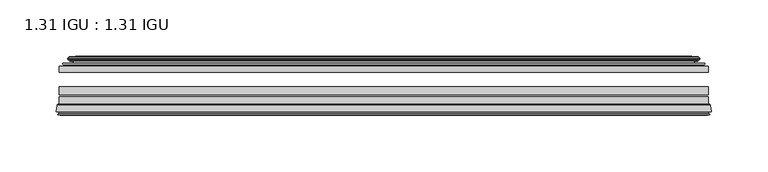
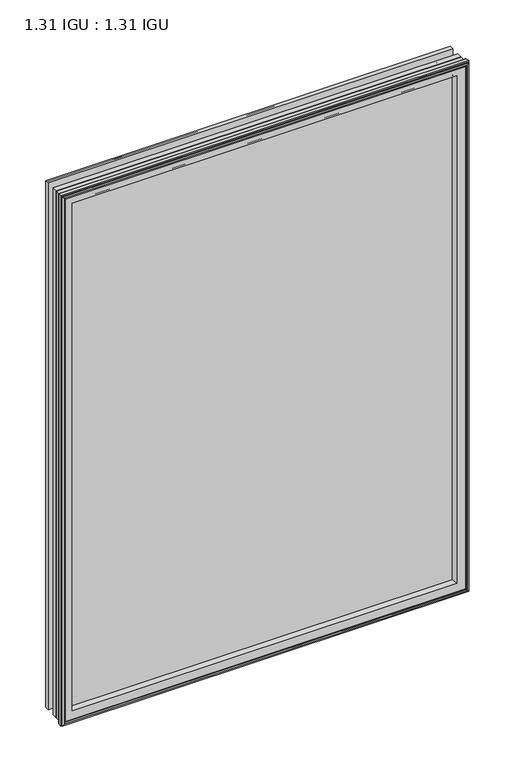
"""IFC4 building model written with IfcOpenShell, lengths in millimetres: plate geometry, 1.31 IGU : 1.31 IGU."""

from ifc_helpers import new_model, si_unit, frame, origin, place, context, project, spatial, polyline, ellipse_curve, outline, extrude, source, transform, mapped, element, save
from ifc_brep_helpers import plane_surface, cylinder_surface, revolved_surface, advanced_brep


def plate_1_31_igu_1_31_igu_99226cc4(model_context):
    return source(origin(), model_context, "Body", "SolidModel", [
        extrude(outline(polyline([(287.3325649, -44.8960875), (287.3325649, -50.4332875), (-287.3375, -50.4332875), (-287.3375, -44.8960875), (287.3325649, -44.8960875)])), frame((0.0, 0.0, -14.2875), z_axis=(0.0, 0.0, 1.0), x_axis=(1.0, 0.0, 0.0)), (0.0, 0.0, 1.0), 790.47848),
        extrude(outline(polyline([(-287.3375, -78.7796875), (-287.3375, -71.7692875), (287.3325649, -71.7692875), (287.3325649, -78.7796875), (-287.3375, -78.7796875)])), frame((0.0, 0.0, -14.2875), z_axis=(0.0, 0.0, 1.0), x_axis=(1.0, 0.0, 0.0)), (0.0, 0.0, 1.0), 790.47848),
        extrude(outline(polyline([(-287.3375, -70.2452875), (-287.3375, -63.1332875), (287.3325649, -63.1332875), (287.3325649, -70.2452875), (-287.3375, -70.2452875)])), frame((0.0, 0.0, -14.2875), z_axis=(0.0, 0.0, 1.0), x_axis=(1.0, 0.0, 0.0)), (0.0, 0.0, 1.0), 790.47848),
        advanced_brep(
        [(-289.8844039, -85.1296875, 778.7378839), (-289.1896201, -79.4711276, 778.0431001), (-289.1896201, -79.4711276, -16.1396201), (-289.8844039, -85.1296875, -16.8344039), (-287.4968039, -87.1207518, 776.3502839), (-287.9540039, -85.1296875, 776.8074839), (-287.9540039, -85.1296875, -14.9040039), (-287.4968039, -87.1207518, -14.4468039), (-288.4981658, -86.8524376, 777.3516458), (-288.4981658, -86.8524376, -15.4481658), (-288.7414039, -87.7602147, 777.5948839), (-288.7414039, -87.7602147, -15.6914039), (-286.7094039, -88.3046875, 775.5628839), (-286.7094039, -88.3046875, -13.6594039), (-284.6774039, -87.7602147, 773.5308839), (-284.6774039, -87.7602147, -11.6274039), (-284.9206421, -86.8524376, 773.7741221), (-284.9206421, -86.8524376, -11.8706421), (-285.9220039, -87.1207518, 774.7754839), (-285.9220039, -87.1207518, -12.8720039), (-285.4648039, -85.1296875, 774.3182839), (-285.4648039, -85.1296875, -12.4148039), (-288.4080893, -78.7796875, 777.2615693), (-288.4080893, -78.7796875, -15.3580893), (289.1896201, -79.4711276, -16.1396201), (289.8844039, -85.1296875, -16.8344039), (287.9540039, -85.1296875, -14.9040039), (287.4968039, -87.1207518, -14.4468039), (288.4981658, -86.8524376, -15.4481658), (288.7414039, -87.7602147, -15.6914039), (286.7094039, -88.3046875, -13.6594039), (284.6774039, -87.7602147, -11.6274039), (284.9206421, -86.8524376, -11.8706421), (285.9220039, -87.1207518, -12.8720039), (285.4648039, -85.1296875, -12.4148039), (288.4080893, -78.7796875, -15.3580893), (289.1896201, -79.4711276, 778.0431001), (289.8844039, -85.1296875, 778.7378839), (287.9540039, -85.1296875, 776.8074839), (287.4968039, -87.1207518, 776.3502839), (288.4981658, -86.8524376, 777.3516458), (288.7414039, -87.7602147, 777.5948839), (286.7094039, -88.3046875, 775.5628839), (284.6774039, -87.7602147, 773.5308839), (284.9206421, -86.8524376, 773.7741221), (285.9220039, -87.1207518, 774.7754839), (285.4648039, -85.1296875, 774.3182839), (288.4080893, -78.7796875, 777.2615693), (-273.0622131, -85.1296875, 761.9156931), (273.0622131, -85.1296875, 761.9156931), (273.0622131, -85.1296875, -0.0122131), (-273.0622131, -85.1296875, -0.0122131), (-269.7459362, -78.7796875, 3.3040638), (269.7459362, -78.7796875, 3.3040638), (269.7459362, -78.7796875, 758.5994162), (-269.7459362, -78.7796875, 758.5994162)],
        [
            (0, 1),
            (1, 2),
            (2, 3),
            (3, 0),
            (4, 5),
            (5, 6),
            (6, 7),
            (7, 4),
            (8, 4),
            (7, 9),
            (9, 8),
            (10, 8),
            (9, 11),
            (11, 10),
            (12, 10),
            (11, 13),
            (13, 12),
            (14, 12),
            (13, 15),
            (15, 14),
            (16, 14),
            (15, 17),
            (17, 16),
            (18, 16),
            (17, 19),
            (19, 18),
            (20, 18),
            (19, 21),
            (21, 20),
            (1, 22, ellipse_curve(frame((-288.4080893, -79.5670875, 777.2615693), z_axis=(-0.7071067811865475, 0.0, -0.7071067811865475), x_axis=(-0.7071067811865474, 0.0, 0.7071067811865476)), 1.1135518, 0.7874)),
            (22, 23),
            (23, 2, ellipse_curve(frame((-288.4080893, -79.5670875, -15.3580893), z_axis=(-0.7071067811865475, 0.0, 0.7071067811865475), x_axis=(0.7071067811865474, 0.0, 0.7071067811865476)), 1.1135518, 0.7874)),
            (2, 24),
            (24, 25),
            (25, 3),
            (6, 26),
            (26, 27),
            (27, 7),
            (27, 28),
            (28, 9),
            (28, 29),
            (29, 11),
            (29, 30),
            (30, 13),
            (30, 31),
            (31, 15),
            (31, 32),
            (32, 17),
            (32, 33),
            (33, 19),
            (33, 34),
            (34, 21),
            (23, 35),
            (35, 24, ellipse_curve(frame((288.4080893, -79.5670875, -15.3580893), z_axis=(-0.7071067811865475, 0.0, -0.7071067811865475), x_axis=(-0.7071067811865476, 0.0, 0.7071067811865474)), 1.1135518, 0.7874)),
            (24, 36),
            (36, 37),
            (37, 25),
            (26, 38),
            (38, 39),
            (39, 27),
            (39, 40),
            (40, 28),
            (40, 41),
            (41, 29),
            (41, 42),
            (42, 30),
            (42, 43),
            (43, 31),
            (43, 44),
            (44, 32),
            (44, 45),
            (45, 33),
            (45, 46),
            (46, 34),
            (35, 47),
            (47, 36, ellipse_curve(frame((288.4080893, -79.5670875, 777.2615693), z_axis=(0.7071067811865475, 0.0, -0.7071067811865475), x_axis=(-0.7071067811865474, 0.0, -0.7071067811865476)), 1.1135518, 0.7874)),
            (36, 1),
            (0, 37),
            (5, 38),
            (4, 39),
            (8, 40),
            (10, 41),
            (12, 42),
            (14, 43),
            (16, 44),
            (18, 45),
            (20, 46),
            (48, 49),
            (49, 50),
            (50, 51),
            (51, 48),
            (22, 47),
            (52, 53),
            (53, 54),
            (54, 55),
            (55, 52),
            (55, 48, ellipse_curve(frame((-261.8129182, -86.963653, 750.6663982), z_axis=(0.7071067811865475, 0.0, 0.7071067811865475), x_axis=(0.7071067811865474, 0.0, -0.7071067811865476)), 16.118937, 11.3978097)),
            (51, 52, ellipse_curve(frame((-261.8129182, -86.963653, 11.2370818), z_axis=(0.7071067811865475, 0.0, -0.7071067811865475), x_axis=(-0.7071067811865474, 0.0, -0.7071067811865476)), 16.118937, 11.3978097)),
            (50, 53, ellipse_curve(frame((261.8129182, -86.963653, 11.2370818), z_axis=(0.7071067811865475, 0.0, 0.7071067811865475), x_axis=(0.7071067811865476, 0.0, -0.7071067811865474)), 16.118937, 11.3978097)),
            (49, 54, ellipse_curve(frame((261.8129182, -86.963653, 750.6663982), z_axis=(-0.7071067811865475, 0.0, 0.7071067811865475), x_axis=(0.7071067811865474, 0.0, 0.7071067811865476)), 16.118937, 11.3978097)),
        ],
        [
            plane_surface(frame((-289.1896201, -79.4711276, 778.0431001), z_axis=(-0.9925461516413008, 0.12186934340532066, 0.0), x_axis=(0.0, 0.0, -1.0))),
            plane_surface(frame((-287.9540039, -85.1296875, 776.8074839), z_axis=(-0.9746347637895996, -0.22380142361654334, 0.0), x_axis=(0.0, 0.0, -1.0))),
            plane_surface(frame((-287.4968039, -87.1207518, 776.3502839), z_axis=(0.25881904510266784, 0.9659258262890289, 0.0), x_axis=(0.0, 0.0, -1.0))),
            plane_surface(frame((-288.4981658, -86.8524376, 777.3516458), z_axis=(-0.9659258262890449, 0.2588190451026083, 0.0), x_axis=(0.0, 0.0, -1.0))),
            plane_surface(frame((-288.7414039, -87.7602147, 777.5948839), z_axis=(-0.2588190451025689, -0.9659258262890554, 0.0), x_axis=(0.0, 0.0, -1.0))),
            plane_surface(frame((-286.7094039, -88.3046875, 775.5628839), z_axis=(0.25881904510241466, -0.9659258262890968, 0.0), x_axis=(0.0, 0.0, -1.0))),
            plane_surface(frame((-284.6774039, -87.7602147, 773.5308839), z_axis=(0.9659258262890272, 0.25881904510267406, 0.0), x_axis=(0.0, 0.0, -1.0))),
            plane_surface(frame((-284.9206421, -86.8524376, 773.7741221), z_axis=(-0.25881904510234177, 0.9659258262891163, 0.0), x_axis=(0.0, 0.0, -1.0))),
            plane_surface(frame((-285.9220039, -87.1207518, 774.7754839), z_axis=(0.9746347637895937, -0.22380142361656946, 0.0), x_axis=(0.0, 0.0, -1.0))),
            cylinder_surface(frame((-288.4080893, -79.5670875, 793.65348), z_axis=(0.0, 0.0, 1.0), x_axis=(-1.0, 0.0, 0.0)), 0.7874),
            plane_surface(frame((-289.1896201, -79.4711276, -16.1396201), z_axis=(0.0, 0.12186934340531747, -0.9925461516413012), x_axis=(1.0, 0.0, 0.0))),
            plane_surface(frame((-287.9540039, -85.1296875, -14.9040039), z_axis=(0.0, -0.22380142361654648, -0.9746347637895989), x_axis=(1.0, 0.0, 0.0))),
            plane_surface(frame((-287.4968039, -87.1207518, -14.4468039), z_axis=(0.0, 0.9659258262890298, 0.25881904510266474), x_axis=(1.0, 0.0, 0.0))),
            plane_surface(frame((-288.4981658, -86.8524376, -15.4481658), z_axis=(0.0, 0.25881904510260517, -0.9659258262890458), x_axis=(1.0, 0.0, 0.0))),
            plane_surface(frame((-288.7414039, -87.7602147, -15.6914039), z_axis=(0.0, -0.9659258262890563, -0.2588190451025658), x_axis=(1.0, 0.0, 0.0))),
            plane_surface(frame((-286.7094039, -88.3046875, -13.6594039), z_axis=(0.0, -0.965925826289096, 0.25881904510241777), x_axis=(1.0, 0.0, 0.0))),
            plane_surface(frame((-284.6774039, -87.7602147, -11.6274039), z_axis=(0.0, 0.2588190451026772, 0.9659258262890265), x_axis=(1.0, 0.0, 0.0))),
            plane_surface(frame((-284.9206421, -86.8524376, -11.8706421), z_axis=(0.0, 0.9659258262891154, -0.2588190451023449), x_axis=(1.0, 0.0, 0.0))),
            plane_surface(frame((-285.9220039, -87.1207518, -12.8720039), z_axis=(0.0, -0.22380142361656633, 0.9746347637895943), x_axis=(1.0, 0.0, 0.0))),
            cylinder_surface(frame((-304.8, -79.5670875, -15.3580893), z_axis=(-1.0, 0.0, 0.0), x_axis=(0.0, 0.0, -1.0)), 0.7874),
            plane_surface(frame((289.1896201, -79.4711276, -16.1396201), z_axis=(0.9925461516413017, 0.12186934340531427, 0.0), x_axis=(0.0, 0.0, 1.0))),
            plane_surface(frame((287.9540039, -85.1296875, -14.9040039), z_axis=(0.9746347637895982, -0.22380142361654962, 0.0), x_axis=(0.0, 0.0, 1.0))),
            plane_surface(frame((287.4968039, -87.1207518, -14.4468039), z_axis=(-0.2588190451026616, 0.9659258262890307, 0.0), x_axis=(0.0, 0.0, 1.0))),
            plane_surface(frame((288.4981658, -86.8524376, -15.4481658), z_axis=(0.9659258262890467, 0.25881904510260206, 0.0), x_axis=(0.0, 0.0, 1.0))),
            plane_surface(frame((288.7414039, -87.7602147, -15.6914039), z_axis=(0.2588190451025627, -0.9659258262890572, 0.0), x_axis=(0.0, 0.0, 1.0))),
            plane_surface(frame((286.7094039, -88.3046875, -13.6594039), z_axis=(-0.2588190451024209, -0.9659258262890951, 0.0), x_axis=(0.0, 0.0, 1.0))),
            plane_surface(frame((284.6774039, -87.7602147, -11.6274039), z_axis=(-0.9659258262890256, 0.25881904510268033, 0.0), x_axis=(0.0, 0.0, 1.0))),
            plane_surface(frame((284.9206421, -86.8524376, -11.8706421), z_axis=(0.25881904510234804, 0.9659258262891146, 0.0), x_axis=(0.0, 0.0, 1.0))),
            plane_surface(frame((285.9220039, -87.1207518, -12.8720039), z_axis=(-0.974634763789595, -0.2238014236165632, 0.0), x_axis=(0.0, 0.0, 1.0))),
            cylinder_surface(frame((288.4080893, -79.5670875, -31.75), z_axis=(0.0, 0.0, -1.0), x_axis=(1.0, 0.0, 0.0)), 0.7874),
            plane_surface(frame((289.1896201, -79.4711276, 778.0431001), z_axis=(0.0, 0.12186934340531747, 0.9925461516413012), x_axis=(-1.0, 0.0, 0.0))),
            plane_surface(frame((289.8844039, -85.1296875, 778.7378839), z_axis=(0.0, -1.0, 0.0), x_axis=(-1.0, 0.0, 0.0))),
            plane_surface(frame((287.9540039, -85.1296875, 776.8074839), z_axis=(0.0, -0.22380142361654648, 0.9746347637895989), x_axis=(-1.0, 0.0, 0.0))),
            plane_surface(frame((287.4968039, -87.1207518, 776.3502839), z_axis=(0.0, 0.9659258262890298, -0.25881904510266474), x_axis=(-1.0, 0.0, 0.0))),
            plane_surface(frame((288.4981658, -86.8524376, 777.3516458), z_axis=(0.0, 0.25881904510260517, 0.9659258262890458), x_axis=(-1.0, 0.0, 0.0))),
            plane_surface(frame((288.7414039, -87.7602147, 777.5948839), z_axis=(0.0, -0.9659258262890563, 0.2588190451025658), x_axis=(-1.0, 0.0, 0.0))),
            plane_surface(frame((286.7094039, -88.3046875, 775.5628839), z_axis=(0.0, -0.965925826289096, -0.25881904510241777), x_axis=(-1.0, 0.0, 0.0))),
            plane_surface(frame((284.6774039, -87.7602147, 773.5308839), z_axis=(0.0, 0.2588190451026772, -0.9659258262890265), x_axis=(-1.0, 0.0, 0.0))),
            plane_surface(frame((284.9206421, -86.8524376, 773.7741221), z_axis=(0.0, 0.9659258262891155, 0.25881904510234494), x_axis=(-1.0, 0.0, 0.0))),
            plane_surface(frame((285.9220039, -87.1207518, 774.7754839), z_axis=(0.0, -0.22380142361656633, -0.9746347637895943), x_axis=(-1.0, 0.0, 0.0))),
            plane_surface(frame((285.4648039, -85.1296875, 774.3182839), z_axis=(0.0, -1.0, 0.0), x_axis=(-1.0, 0.0, 0.0))),
            plane_surface(frame((269.7459362, -78.7796875, 758.5994162), z_axis=(0.0, 1.0, 0.0), x_axis=(-1.0, 0.0, 0.0))),
            cylinder_surface(frame((304.8, -79.5670875, 777.2615693), z_axis=(1.0, 0.0, 0.0), x_axis=(0.0, 0.0, 1.0)), 0.7874),
            revolved_surface(polyline([(-273.2107279, -86.963653, -0.1607278582187064), (-273.2107279, -86.963653, 762.0642078582188)]), (-261.8129182, -86.963653, 793.65348), (0.0, 0.0, -1.0)),
            revolved_surface(polyline([(273.2107278582187, -86.963653, -0.16072789999999948), (-273.2107278582188, -86.963653, -0.16072789999999948)]), (-304.8, -86.963653, 11.2370818), (1.0, 0.0, 0.0)),
            revolved_surface(polyline([(273.2107279, -86.963653, 762.0642078582188), (273.2107279, -86.963653, -0.16072785821874191)]), (261.8129182, -86.963653, -31.75), (0.0, 0.0, 1.0)),
            revolved_surface(polyline([(-273.2107278582187, -86.963653, 762.0642079), (273.2107278582188, -86.963653, 762.0642079)]), (304.8, -86.963653, 750.6663982), (-1.0, 0.0, 0.0)),
        ],
        [
            (0, [[1, 2, 3, 4]]),
            (1, [[5, 6, 7, 8]]),
            (2, [[9, -8, 10, 11]]),
            (3, [[12, -11, 13, 14]]),
            (4, [[15, -14, 16, 17]]),
            (5, [[18, -17, 19, 20]]),
            (6, [[21, -20, 22, 23]]),
            (7, [[24, -23, 25, 26]]),
            (8, [[27, -26, 28, 29]]),
            (9, [[30, 31, 32, -2]]),
            (10, [[-3, 33, 34, 35]]),
            (11, [[-7, 36, 37, 38]]),
            (12, [[-10, -38, 39, 40]]),
            (13, [[-13, -40, 41, 42]]),
            (14, [[-16, -42, 43, 44]]),
            (15, [[-19, -44, 45, 46]]),
            (16, [[-22, -46, 47, 48]]),
            (17, [[-25, -48, 49, 50]]),
            (18, [[-28, -50, 51, 52]]),
            (19, [[-32, 53, 54, -33]]),
            (20, [[-34, 55, 56, 57]]),
            (21, [[-37, 58, 59, 60]]),
            (22, [[-39, -60, 61, 62]]),
            (23, [[-41, -62, 63, 64]]),
            (24, [[-43, -64, 65, 66]]),
            (25, [[-45, -66, 67, 68]]),
            (26, [[-47, -68, 69, 70]]),
            (27, [[-49, -70, 71, 72]]),
            (28, [[-51, -72, 73, 74]]),
            (29, [[-54, 75, 76, -55]]),
            (30, [[-56, 77, -1, 78]]),
            (31, [[-35, -57, -78, -4], [79, -58, -36, -6]]),
            (32, [[-59, -79, -5, 80]]),
            (33, [[-61, -80, -9, 81]]),
            (34, [[-63, -81, -12, 82]]),
            (35, [[-65, -82, -15, 83]]),
            (36, [[-67, -83, -18, 84]]),
            (37, [[-69, -84, -21, 85]]),
            (38, [[-71, -85, -24, 86]]),
            (39, [[-73, -86, -27, 87]]),
            (40, [[-52, -74, -87, -29], [88, 89, 90, 91]]),
            (41, [[92, -75, -53, -31], [93, 94, 95, 96]]),
            (42, [[-76, -92, -30, -77]]),
            (43, [[97, -91, 98, -96]]),
            (44, [[-98, -90, 99, -93]]),
            (45, [[-99, -89, 100, -94]]),
            (46, [[-100, -88, -97, -95]]),
        ],
    ),
        advanced_brep(
        [(-277.9921755, -37.7373382, 766.8456555), (-273.0505426, -36.3108875, 761.9040226), (-273.0505426, -36.3108875, -0.0005426), (-277.9921755, -37.7373382, -4.9421755), (-277.8270702, -36.9605789, 766.6805502), (-277.8270702, -36.9605789, -4.7770702), (-278.4225559, -36.4771203, 767.2760359), (-278.4225559, -36.4771203, -5.3725559), (-279.6871917, -37.766076, 768.5406717), (-279.6871917, -37.766076, -6.6371917), (-279.6763749, -38.8797852, 768.5298549), (-279.6763749, -38.8797852, -6.6263749), (-278.3948897, -40.1361433, 767.2483697), (-278.3948897, -40.1361433, -5.3448897), (-277.7898829, -39.649943, 766.6433629), (-277.7898829, -39.649943, -4.7398829), (-278.3438972, -39.0959287, 767.1973772), (-278.3438972, -39.0959287, -5.2938972), (-276.0580887, -38.7029881, 764.9115687), (-276.0580887, -38.7029881, -3.0080887), (-274.5990157, -40.2107282, 763.4524957), (-274.5990157, -40.2107282, -1.5490157), (-274.8955976, -41.651269, 763.7490776), (-274.8955976, -41.651269, -1.8455976), (-275.6668221, -42.2798875, 764.5203021), (-275.6668221, -42.2798875, -2.6168221), (-283.9707984, -43.4871542, 772.8242784), (-283.6955969, -42.2798875, 772.5490769), (-283.6955969, -42.2798875, -10.6455969), (-283.9707984, -43.4871542, -10.9207984), (-280.5132297, -44.8960875, 769.3667097), (-280.5132297, -44.8960875, -7.4632297), (-269.4156059, -44.023302, 758.2690859), (-269.7709439, -44.8960875, 758.6244239), (-269.7709439, -44.8960875, 3.2790561), (-269.4156059, -44.023302, 3.6343941), (-270.086804, -43.3681812, 758.940284), (-270.086804, -43.3681812, 2.963196), (-271.7275946, -40.6686056, 760.5810746), (-271.7275946, -40.6686056, 1.3224054), (273.0505426, -36.3108875, -0.0005426), (277.9921755, -37.7373382, -4.9421755), (277.8270702, -36.9605789, -4.7770702), (278.4225559, -36.4771203, -5.3725559), (279.6871917, -37.766076, -6.6371917), (279.6763749, -38.8797852, -6.6263749), (278.3948897, -40.1361433, -5.3448897), (277.7898829, -39.649943, -4.7398829), (278.3438972, -39.0959287, -5.2938972), (276.0580887, -38.7029881, -3.0080887), (274.5990157, -40.2107282, -1.5490157), (274.8955976, -41.651269, -1.8455976), (275.6668221, -42.2798875, -2.6168221), (283.6955969, -42.2798875, -10.6455969), (283.9707984, -43.4871542, -10.9207984), (280.5132297, -44.8960875, -7.4632297), (269.7709439, -44.8960875, 3.2790561), (269.4156059, -44.023302, 3.6343941), (270.086804, -43.3681812, 2.963196), (271.7275946, -40.6686056, 1.3224054), (273.0505426, -36.3108875, 761.9040226), (277.9921755, -37.7373382, 766.8456555), (277.8270702, -36.9605789, 766.6805502), (278.4225559, -36.4771203, 767.2760359), (279.6871917, -37.766076, 768.5406717), (279.6763749, -38.8797852, 768.5298549), (278.3948897, -40.1361433, 767.2483697), (277.7898829, -39.649943, 766.6433629), (278.3438972, -39.0959287, 767.1973772), (276.0580887, -38.7029881, 764.9115687), (274.5990157, -40.2107282, 763.4524957), (274.8955976, -41.651269, 763.7490776), (275.6668221, -42.2798875, 764.5203021), (283.6955969, -42.2798875, 772.5490769), (283.9707984, -43.4871542, 772.8242784), (280.5132297, -44.8960875, 769.3667097), (269.7709439, -44.8960875, 758.6244239), (269.4156059, -44.023302, 758.2690859), (270.086804, -43.3681812, 758.940284), (271.7275946, -40.6686056, 760.5810746)],
        [
            (0, 1),
            (1, 2),
            (2, 3),
            (3, 0),
            (4, 0),
            (3, 5),
            (5, 4),
            (6, 4, ellipse_curve(frame((-278.1475871, -36.746901, 767.0010671), z_axis=(-0.7071067811865475, 0.0, -0.7071067811865475), x_axis=(-0.7071067811865474, 0.0, 0.7071067811865476)), 0.5447741, 0.3852135)),
            (5, 7, ellipse_curve(frame((-278.1475871, -36.746901, -5.0975871), z_axis=(-0.7071067811865475, 0.0, 0.7071067811865475), x_axis=(0.7071067811865474, 0.0, 0.7071067811865476)), 0.5447741, 0.3852135)),
            (7, 6),
            (8, 6),
            (7, 9),
            (9, 8),
            (10, 8, ellipse_curve(frame((-279.1251387, -38.3175243, 767.9786187), z_axis=(-0.7071067811865475, 0.0, -0.7071067811865475), x_axis=(-0.7071067811865474, 0.0, 0.7071067811865476)), 1.1135518, 0.7874)),
            (9, 11, ellipse_curve(frame((-279.1251387, -38.3175243, -6.0751387), z_axis=(-0.7071067811865475, 0.0, 0.7071067811865475), x_axis=(0.7071067811865474, 0.0, 0.7071067811865476)), 1.1135518, 0.7874)),
            (11, 10),
            (12, 10),
            (11, 13),
            (13, 12),
            (14, 12, ellipse_curve(frame((-278.1212922, -39.8570738, 766.9747722), z_axis=(-0.7071067811865475, 0.0, -0.7071067811865475), x_axis=(-0.7071067811865474, 0.0, 0.7071067811865476)), 0.552694, 0.3908137)),
            (13, 15, ellipse_curve(frame((-278.1212922, -39.8570738, -5.0712922), z_axis=(-0.7071067811865475, 0.0, 0.7071067811865475), x_axis=(0.7071067811865474, 0.0, 0.7071067811865476)), 0.552694, 0.3908137)),
            (15, 14),
            (16, 14),
            (15, 17),
            (17, 16),
            (18, 16),
            (17, 19),
            (19, 18),
            (20, 18, ellipse_curve(frame((-275.8429261, -39.954629, 764.6964061), z_axis=(0.7071067811865475, 0.0, 0.7071067811865475), x_axis=(0.7071067811865474, 0.0, -0.7071067811865476)), 1.7960512, 1.27)),
            (19, 21, ellipse_curve(frame((-275.8429261, -39.954629, -2.7929261), z_axis=(0.7071067811865475, 0.0, -0.7071067811865475), x_axis=(-0.7071067811865474, 0.0, -0.7071067811865476)), 1.7960512, 1.27)),
            (21, 20),
            (22, 20),
            (21, 23),
            (23, 22),
            (24, 22, ellipse_curve(frame((-275.6668221, -41.4924875, 764.5203021), z_axis=(0.7071067811865475, 0.0, 0.7071067811865475), x_axis=(0.7071067811865474, 0.0, -0.7071067811865476)), 1.1135518, 0.7874)),
            (23, 25, ellipse_curve(frame((-275.6668221, -41.4924875, -2.6168221), z_axis=(0.7071067811865475, 0.0, -0.7071067811865475), x_axis=(-0.7071067811865474, 0.0, -0.7071067811865476)), 1.1135518, 0.7874)),
            (25, 24),
            (26, 27, ellipse_curve(frame((-283.6955969, -42.9148875, 772.5490769), z_axis=(-0.7071067811865475, 0.0, -0.7071067811865475), x_axis=(-0.7071067811865474, 0.0, 0.7071067811865476)), 0.8980256, 0.635)),
            (27, 28),
            (28, 29, ellipse_curve(frame((-283.6955969, -42.9148875, -10.6455969), z_axis=(-0.7071067811865475, 0.0, 0.7071067811865475), x_axis=(0.7071067811865474, 0.0, 0.7071067811865476)), 0.8980256, 0.635)),
            (29, 26),
            (30, 26),
            (29, 31),
            (31, 30),
            (32, 33, ellipse_curve(frame((-269.7709439, -44.3873602, 758.6244239), z_axis=(-0.7071067811865475, 0.0, -0.7071067811865475), x_axis=(-0.7071067811865474, 0.0, 0.7071067811865476)), 0.719449, 0.5087273)),
            (33, 34),
            (34, 35, ellipse_curve(frame((-269.7709439, -44.3873602, 3.2790561), z_axis=(-0.7071067811865475, 0.0, 0.7071067811865475), x_axis=(0.7071067811865474, 0.0, 0.7071067811865476)), 0.719449, 0.5087273)),
            (35, 32),
            (36, 32),
            (35, 37),
            (37, 36),
            (38, 36, ellipse_curve(frame((-265.6514298, -38.823959, 754.5049098), z_axis=(0.7071067811865475, 0.0, 0.7071067811865475), x_axis=(0.7071067811865474, 0.0, -0.7071067811865476)), 8.9802561, 6.35)),
            (37, 39, ellipse_curve(frame((-265.6514298, -38.823959, 7.3985702), z_axis=(0.7071067811865475, 0.0, -0.7071067811865475), x_axis=(-0.7071067811865474, 0.0, -0.7071067811865476)), 8.9802561, 6.35)),
            (39, 38),
            (1, 38),
            (39, 2),
            (2, 40),
            (40, 41),
            (41, 3),
            (41, 42),
            (42, 5),
            (42, 43, ellipse_curve(frame((278.1475871, -36.746901, -5.0975871), z_axis=(-0.7071067811865475, 0.0, -0.7071067811865475), x_axis=(-0.7071067811865476, 0.0, 0.7071067811865474)), 0.5447741, 0.3852135)),
            (43, 7),
            (43, 44),
            (44, 9),
            (44, 45, ellipse_curve(frame((279.1251387, -38.3175243, -6.0751387), z_axis=(-0.7071067811865475, 0.0, -0.7071067811865475), x_axis=(-0.7071067811865476, 0.0, 0.7071067811865474)), 1.1135518, 0.7874)),
            (45, 11),
            (45, 46),
            (46, 13),
            (46, 47, ellipse_curve(frame((278.1212922, -39.8570738, -5.0712922), z_axis=(-0.7071067811865475, 0.0, -0.7071067811865475), x_axis=(-0.7071067811865476, 0.0, 0.7071067811865474)), 0.552694, 0.3908137)),
            (47, 15),
            (47, 48),
            (48, 17),
            (48, 49),
            (49, 19),
            (49, 50, ellipse_curve(frame((275.8429261, -39.954629, -2.7929261), z_axis=(0.7071067811865475, 0.0, 0.7071067811865475), x_axis=(0.7071067811865476, 0.0, -0.7071067811865474)), 1.7960512, 1.27)),
            (50, 21),
            (50, 51),
            (51, 23),
            (51, 52, ellipse_curve(frame((275.6668221, -41.4924875, -2.6168221), z_axis=(0.7071067811865475, 0.0, 0.7071067811865475), x_axis=(0.7071067811865476, 0.0, -0.7071067811865474)), 1.1135518, 0.7874)),
            (52, 25),
            (28, 53),
            (53, 54, ellipse_curve(frame((283.6955969, -42.9148875, -10.6455969), z_axis=(-0.7071067811865475, 0.0, -0.7071067811865475), x_axis=(-0.7071067811865476, 0.0, 0.7071067811865474)), 0.8980256, 0.635)),
            (54, 29),
            (54, 55),
            (55, 31),
            (34, 56),
            (56, 57, ellipse_curve(frame((269.7709439, -44.3873602, 3.2790561), z_axis=(-0.7071067811865475, 0.0, -0.7071067811865475), x_axis=(-0.7071067811865476, 0.0, 0.7071067811865474)), 0.719449, 0.5087273)),
            (57, 35),
            (57, 58),
            (58, 37),
            (58, 59, ellipse_curve(frame((265.6514298, -38.823959, 7.3985702), z_axis=(0.7071067811865475, 0.0, 0.7071067811865475), x_axis=(0.7071067811865476, 0.0, -0.7071067811865474)), 8.9802561, 6.35)),
            (59, 39),
            (59, 40),
            (40, 60),
            (60, 61),
            (61, 41),
            (61, 62),
            (62, 42),
            (62, 63, ellipse_curve(frame((278.1475871, -36.746901, 767.0010671), z_axis=(0.7071067811865475, 0.0, -0.7071067811865475), x_axis=(-0.7071067811865474, 0.0, -0.7071067811865476)), 0.5447741, 0.3852135)),
            (63, 43),
            (63, 64),
            (64, 44),
            (64, 65, ellipse_curve(frame((279.1251387, -38.3175243, 767.9786187), z_axis=(0.7071067811865475, 0.0, -0.7071067811865475), x_axis=(-0.7071067811865474, 0.0, -0.7071067811865476)), 1.1135518, 0.7874)),
            (65, 45),
            (65, 66),
            (66, 46),
            (66, 67, ellipse_curve(frame((278.1212922, -39.8570738, 766.9747722), z_axis=(0.7071067811865475, 0.0, -0.7071067811865475), x_axis=(-0.7071067811865474, 0.0, -0.7071067811865476)), 0.552694, 0.3908137)),
            (67, 47),
            (67, 68),
            (68, 48),
            (68, 69),
            (69, 49),
            (69, 70, ellipse_curve(frame((275.8429261, -39.954629, 764.6964061), z_axis=(-0.7071067811865475, 0.0, 0.7071067811865475), x_axis=(0.7071067811865474, 0.0, 0.7071067811865476)), 1.7960512, 1.27)),
            (70, 50),
            (70, 71),
            (71, 51),
            (71, 72, ellipse_curve(frame((275.6668221, -41.4924875, 764.5203021), z_axis=(-0.7071067811865475, 0.0, 0.7071067811865475), x_axis=(0.7071067811865474, 0.0, 0.7071067811865476)), 1.1135518, 0.7874)),
            (72, 52),
            (53, 73),
            (73, 74, ellipse_curve(frame((283.6955969, -42.9148875, 772.5490769), z_axis=(0.7071067811865475, 0.0, -0.7071067811865475), x_axis=(-0.7071067811865474, 0.0, -0.7071067811865476)), 0.8980256, 0.635)),
            (74, 54),
            (74, 75),
            (75, 55),
            (56, 76),
            (76, 77, ellipse_curve(frame((269.7709439, -44.3873602, 758.6244239), z_axis=(0.7071067811865475, 0.0, -0.7071067811865475), x_axis=(-0.7071067811865474, 0.0, -0.7071067811865476)), 0.719449, 0.5087273)),
            (77, 57),
            (77, 78),
            (78, 58),
            (78, 79, ellipse_curve(frame((265.6514298, -38.823959, 754.5049098), z_axis=(-0.7071067811865475, 0.0, 0.7071067811865475), x_axis=(0.7071067811865474, 0.0, 0.7071067811865476)), 8.9802561, 6.35)),
            (79, 59),
            (79, 60),
            (60, 1),
            (0, 61),
            (4, 62),
            (6, 63),
            (8, 64),
            (10, 65),
            (12, 66),
            (14, 67),
            (16, 68),
            (18, 69),
            (20, 70),
            (22, 71),
            (24, 72),
            (27, 73),
            (26, 74),
            (30, 75),
            (33, 76),
            (32, 77),
            (36, 78),
            (38, 79),
        ],
        [
            plane_surface(frame((-273.0505426, -36.3108875, 761.9040226), z_axis=(-0.27733649284928463, 0.9607728502273879, 0.0), x_axis=(0.0, 0.0, -1.0))),
            plane_surface(frame((-277.9921755, -37.7373382, 766.8456555), z_axis=(0.9781476007338358, -0.20791169081761768, 0.0), x_axis=(0.0, 0.0, -1.0))),
            cylinder_surface(frame((-278.1475871, -36.746901, 793.65348), z_axis=(0.0, 0.0, 1.0), x_axis=(-1.0, 0.0, 0.0)), 0.3852135),
            plane_surface(frame((-278.4225559, -36.4771203, 767.2760359), z_axis=(-0.7138087599382162, 0.7003406701280928, 0.0), x_axis=(0.0, 0.0, -1.0))),
            cylinder_surface(frame((-279.1251387, -38.3175243, 793.65348), z_axis=(0.0, 0.0, 1.0), x_axis=(-1.0, 0.0, 0.0)), 0.7874),
            plane_surface(frame((-279.6763749, -38.8797852, 768.5298549), z_axis=(-0.7000714109283732, -0.7140728391423082, 0.0), x_axis=(0.0, 0.0, -1.0))),
            cylinder_surface(frame((-278.1212922, -39.8570738, 793.65348), z_axis=(0.0, 0.0, 1.0), x_axis=(-1.0, 0.0, 0.0)), 0.3908137),
            plane_surface(frame((-277.7898829, -39.649943, 766.6433629), z_axis=(0.7071067811861126, 0.7071067811869826, 0.0), x_axis=(0.0, 0.0, -1.0))),
            plane_surface(frame((-278.3438972, -39.0959287, 767.1973772), z_axis=(0.16941940671011485, -0.9855440449974789, 0.0), x_axis=(0.0, 0.0, -1.0))),
            revolved_surface(polyline([(-277.1129261, -39.954629, -4.0629260828783345), (-277.1129261, -39.954629, 765.9664060828783)]), (-275.8429261, -39.954629, 793.65348), (0.0, 0.0, -1.0)),
            plane_surface(frame((-274.5990157, -40.2107282, 763.4524957), z_axis=(-0.9794570432566897, 0.201652920670302, 0.0), x_axis=(0.0, 0.0, -1.0))),
            revolved_surface(polyline([(-276.4542221, -41.4924875, -3.4042221289824965), (-276.4542221, -41.4924875, 765.3077021289824)]), (-275.6668221, -41.4924875, 793.65348), (0.0, 0.0, -1.0)),
            cylinder_surface(frame((-283.6955969, -42.9148875, 793.65348), z_axis=(0.0, 0.0, 1.0), x_axis=(-1.0, 0.0, 0.0)), 0.635),
            plane_surface(frame((-283.9707984, -43.4871542, 772.8242784), z_axis=(-0.37736447542757934, -0.9260648209954139, 0.0), x_axis=(0.0, 0.0, -1.0))),
            cylinder_surface(frame((-269.7709439, -44.3873602, 793.65348), z_axis=(0.0, 0.0, 1.0), x_axis=(-1.0, 0.0, 0.0)), 0.5087273),
            plane_surface(frame((-269.4156059, -44.023302, 758.2690859), z_axis=(0.698484125849927, 0.7156255486884628, 0.0), x_axis=(0.0, 0.0, -1.0))),
            revolved_surface(polyline([(-272.00142980000004, -38.823959, 1.0485702148981773), (-272.00142980000004, -38.823959, 760.8549097851018)]), (-265.6514298, -38.823959, 793.65348), (0.0, 0.0, -1.0)),
            plane_surface(frame((-271.7275946, -40.6686056, 760.5810746), z_axis=(0.9568763473517009, 0.2904955350411896, 0.0), x_axis=(0.0, 0.0, -1.0))),
            plane_surface(frame((-273.0505426, -36.3108875, -0.0005426), z_axis=(0.0, 0.960772850227387, -0.27733649284928774), x_axis=(1.0, 0.0, 0.0))),
            plane_surface(frame((-277.9921755, -37.7373382, -4.9421755), z_axis=(0.0, -0.20791169081761454, 0.9781476007338364), x_axis=(1.0, 0.0, 0.0))),
            cylinder_surface(frame((-304.8, -36.746901, -5.0975871), z_axis=(-1.0, 0.0, 0.0), x_axis=(0.0, 0.0, -1.0)), 0.3852135),
            plane_surface(frame((-278.4225559, -36.4771203, -5.3725559), z_axis=(0.0, 0.7003406701280904, -0.7138087599382185), x_axis=(1.0, 0.0, 0.0))),
            cylinder_surface(frame((-304.8, -38.3175243, -6.0751387), z_axis=(-1.0, 0.0, 0.0), x_axis=(0.0, 0.0, -1.0)), 0.7874),
            plane_surface(frame((-279.6763749, -38.8797852, -6.6263749), z_axis=(0.0, -0.7140728391423105, -0.7000714109283709), x_axis=(1.0, 0.0, 0.0))),
            cylinder_surface(frame((-304.8, -39.8570738, -5.0712922), z_axis=(-1.0, 0.0, 0.0), x_axis=(0.0, 0.0, -1.0)), 0.3908137),
            plane_surface(frame((-277.7898829, -39.649943, -4.7398829), z_axis=(0.0, 0.7071067811869849, 0.7071067811861103), x_axis=(1.0, 0.0, 0.0))),
            plane_surface(frame((-278.3438972, -39.0959287, -5.2938972), z_axis=(0.0, -0.9855440449974784, 0.16941940671011801), x_axis=(1.0, 0.0, 0.0))),
            revolved_surface(polyline([(277.11292608287835, -39.954629, -4.0629261), (-277.11292608287823, -39.954629, -4.0629261)]), (-304.8, -39.954629, -2.7929261), (1.0, 0.0, 0.0)),
            plane_surface(frame((-274.5990157, -40.2107282, -1.5490157), z_axis=(0.0, 0.20165292067029883, -0.9794570432566904), x_axis=(1.0, 0.0, 0.0))),
            revolved_surface(polyline([(276.4542221289824, -41.4924875, -3.4042220999999997), (-276.45422212898245, -41.4924875, -3.4042220999999997)]), (-304.8, -41.4924875, -2.6168221), (1.0, 0.0, 0.0)),
            cylinder_surface(frame((-304.8, -42.9148875, -10.6455969), z_axis=(-1.0, 0.0, 0.0), x_axis=(0.0, 0.0, -1.0)), 0.635),
            plane_surface(frame((-283.9707984, -43.4871542, -10.9207984), z_axis=(0.0, -0.9260648209954151, -0.37736447542757634), x_axis=(1.0, 0.0, 0.0))),
            cylinder_surface(frame((-304.8, -44.3873602, 3.2790561), z_axis=(-1.0, 0.0, 0.0), x_axis=(0.0, 0.0, -1.0)), 0.5087273),
            plane_surface(frame((-269.4156059, -44.023302, 3.6343941), z_axis=(0.0, 0.7156255486884651, 0.6984841258499247), x_axis=(1.0, 0.0, 0.0))),
            revolved_surface(polyline([(272.00142978510183, -38.823959, 1.0485702000000003), (-272.0014297851019, -38.823959, 1.0485702000000003)]), (-304.8, -38.823959, 7.3985702), (1.0, 0.0, 0.0)),
            plane_surface(frame((-271.7275946, -40.6686056, 1.3224054), z_axis=(0.0, 0.29049553504119263, 0.9568763473517), x_axis=(1.0, 0.0, 0.0))),
            plane_surface(frame((273.0505426, -36.3108875, -0.0005426), z_axis=(0.27733649284929085, 0.9607728502273861, 0.0), x_axis=(0.0, 0.0, 1.0))),
            plane_surface(frame((277.9921755, -37.7373382, -4.9421755), z_axis=(-0.9781476007338371, -0.2079116908176114, 0.0), x_axis=(0.0, 0.0, 1.0))),
            cylinder_surface(frame((278.1475871, -36.746901, -31.75), z_axis=(0.0, 0.0, -1.0), x_axis=(1.0, 0.0, 0.0)), 0.3852135),
            plane_surface(frame((278.4225559, -36.4771203, -5.3725559), z_axis=(0.7138087599382208, 0.7003406701280882, 0.0), x_axis=(0.0, 0.0, 1.0))),
            cylinder_surface(frame((279.1251387, -38.3175243, -31.75), z_axis=(0.0, 0.0, -1.0), x_axis=(1.0, 0.0, 0.0)), 0.7874),
            plane_surface(frame((279.6763749, -38.8797852, -6.6263749), z_axis=(0.7000714109283687, -0.7140728391423128, 0.0), x_axis=(0.0, 0.0, 1.0))),
            cylinder_surface(frame((278.1212922, -39.8570738, -31.75), z_axis=(0.0, 0.0, -1.0), x_axis=(1.0, 0.0, 0.0)), 0.3908137),
            plane_surface(frame((277.7898829, -39.649943, -4.7398829), z_axis=(-0.7071067811861079, 0.7071067811869872, 0.0), x_axis=(0.0, 0.0, 1.0))),
            plane_surface(frame((278.3438972, -39.0959287, -5.2938972), z_axis=(-0.16941940671012118, -0.9855440449974778, 0.0), x_axis=(0.0, 0.0, 1.0))),
            revolved_surface(polyline([(277.1129261, -39.954629, 765.9664060828783), (277.1129261, -39.954629, -4.062926082878235)]), (275.8429261, -39.954629, -31.75), (0.0, 0.0, 1.0)),
            plane_surface(frame((274.5990157, -40.2107282, -1.5490157), z_axis=(0.979457043256691, 0.20165292067029567, 0.0), x_axis=(0.0, 0.0, 1.0))),
            revolved_surface(polyline([(276.4542221, -41.4924875, 765.3077021289824), (276.4542221, -41.4924875, -3.404222128982486)]), (275.6668221, -41.4924875, -31.75), (0.0, 0.0, 1.0)),
            cylinder_surface(frame((283.6955969, -42.9148875, -31.75), z_axis=(0.0, 0.0, -1.0), x_axis=(1.0, 0.0, 0.0)), 0.635),
            plane_surface(frame((283.9707984, -43.4871542, -10.9207984), z_axis=(0.37736447542757334, -0.9260648209954163, 0.0), x_axis=(0.0, 0.0, 1.0))),
            cylinder_surface(frame((269.7709439, -44.3873602, -31.75), z_axis=(0.0, 0.0, -1.0), x_axis=(1.0, 0.0, 0.0)), 0.5087273),
            plane_surface(frame((269.4156059, -44.023302, 3.6343941), z_axis=(-0.6984841258499224, 0.7156255486884673, 0.0), x_axis=(0.0, 0.0, 1.0))),
            revolved_surface(polyline([(272.00142980000004, -38.823959, 760.8549097851018), (272.00142980000004, -38.823959, 1.0485702148981417)]), (265.6514298, -38.823959, -31.75), (0.0, 0.0, 1.0)),
            plane_surface(frame((271.7275946, -40.6686056, 1.3224054), z_axis=(-0.9568763473516991, 0.2904955350411957, 0.0), x_axis=(0.0, 0.0, 1.0))),
            plane_surface(frame((273.0505426, -36.3108875, 761.9040226), z_axis=(0.0, 0.960772850227387, 0.27733649284928774), x_axis=(-1.0, 0.0, 0.0))),
            plane_surface(frame((277.9921755, -37.7373382, 766.8456555), z_axis=(0.0, -0.20791169081761454, -0.9781476007338364), x_axis=(-1.0, 0.0, 0.0))),
            cylinder_surface(frame((304.8, -36.746901, 767.0010671), z_axis=(1.0, 0.0, 0.0), x_axis=(0.0, 0.0, 1.0)), 0.3852135),
            plane_surface(frame((278.4225559, -36.4771203, 767.2760359), z_axis=(0.0, 0.7003406701280904, 0.7138087599382185), x_axis=(-1.0, 0.0, 0.0))),
            cylinder_surface(frame((304.8, -38.3175243, 767.9786187), z_axis=(1.0, 0.0, 0.0), x_axis=(0.0, 0.0, 1.0)), 0.7874),
            plane_surface(frame((279.6763749, -38.8797852, 768.5298549), z_axis=(0.0, -0.7140728391423106, 0.700071410928371), x_axis=(-1.0, 0.0, 0.0))),
            cylinder_surface(frame((304.8, -39.8570738, 766.9747722), z_axis=(1.0, 0.0, 0.0), x_axis=(0.0, 0.0, 1.0)), 0.3908137),
            plane_surface(frame((277.7898829, -39.649943, 766.6433629), z_axis=(0.0, 0.7071067811869849, -0.7071067811861103), x_axis=(-1.0, 0.0, 0.0))),
            plane_surface(frame((278.3438972, -39.0959287, 767.1973772), z_axis=(0.0, -0.9855440449974784, -0.16941940671011801), x_axis=(-1.0, 0.0, 0.0))),
            revolved_surface(polyline([(-277.11292608287835, -39.954629, 765.9664061), (277.11292608287823, -39.954629, 765.9664061)]), (304.8, -39.954629, 764.6964061), (-1.0, 0.0, 0.0)),
            plane_surface(frame((274.5990157, -40.2107282, 763.4524957), z_axis=(0.0, 0.20165292067029883, 0.9794570432566904), x_axis=(-1.0, 0.0, 0.0))),
            revolved_surface(polyline([(-276.4542221289824, -41.4924875, 765.3077021), (276.45422212898245, -41.4924875, 765.3077021)]), (304.8, -41.4924875, 764.5203021), (-1.0, 0.0, 0.0)),
            plane_surface(frame((275.6668221, -42.2798875, 764.5203021), z_axis=(0.0, 1.0, 0.0), x_axis=(-1.0, 0.0, 0.0))),
            cylinder_surface(frame((304.8, -42.9148875, 772.5490769), z_axis=(1.0, 0.0, 0.0), x_axis=(0.0, 0.0, 1.0)), 0.635),
            plane_surface(frame((283.9707984, -43.4871542, 772.8242784), z_axis=(0.0, -0.9260648209954151, 0.37736447542757634), x_axis=(-1.0, 0.0, 0.0))),
            plane_surface(frame((280.5132297, -44.8960875, 769.3667097), z_axis=(0.0, -1.0, 0.0), x_axis=(-1.0, 0.0, 0.0))),
            cylinder_surface(frame((304.8, -44.3873602, 758.6244239), z_axis=(1.0, 0.0, 0.0), x_axis=(0.0, 0.0, 1.0)), 0.5087273),
            plane_surface(frame((269.4156059, -44.023302, 758.2690859), z_axis=(0.0, 0.7156255486884651, -0.6984841258499247), x_axis=(-1.0, 0.0, 0.0))),
            revolved_surface(polyline([(-272.00142978510183, -38.823959, 760.8549098), (272.0014297851019, -38.823959, 760.8549098)]), (304.8, -38.823959, 754.5049098), (-1.0, 0.0, 0.0)),
            plane_surface(frame((271.7275946, -40.6686056, 760.5810746), z_axis=(0.0, 0.29049553504119263, -0.9568763473517), x_axis=(-1.0, 0.0, 0.0))),
        ],
        [
            (0, [[1, 2, 3, 4]]),
            (1, [[5, -4, 6, 7]]),
            (2, [[8, -7, 9, 10]]),
            (3, [[11, -10, 12, 13]]),
            (4, [[14, -13, 15, 16]]),
            (5, [[17, -16, 18, 19]]),
            (6, [[20, -19, 21, 22]]),
            (7, [[23, -22, 24, 25]]),
            (8, [[26, -25, 27, 28]]),
            (9, [[29, -28, 30, 31]]),
            (10, [[32, -31, 33, 34]]),
            (11, [[35, -34, 36, 37]]),
            (12, [[38, 39, 40, 41]]),
            (13, [[42, -41, 43, 44]]),
            (14, [[45, 46, 47, 48]]),
            (15, [[49, -48, 50, 51]]),
            (16, [[52, -51, 53, 54]]),
            (17, [[55, -54, 56, -2]]),
            (18, [[-3, 57, 58, 59]]),
            (19, [[-6, -59, 60, 61]]),
            (20, [[-9, -61, 62, 63]]),
            (21, [[-12, -63, 64, 65]]),
            (22, [[-15, -65, 66, 67]]),
            (23, [[-18, -67, 68, 69]]),
            (24, [[-21, -69, 70, 71]]),
            (25, [[-24, -71, 72, 73]]),
            (26, [[-27, -73, 74, 75]]),
            (27, [[-30, -75, 76, 77]]),
            (28, [[-33, -77, 78, 79]]),
            (29, [[-36, -79, 80, 81]]),
            (30, [[-40, 82, 83, 84]]),
            (31, [[-43, -84, 85, 86]]),
            (32, [[-47, 87, 88, 89]]),
            (33, [[-50, -89, 90, 91]]),
            (34, [[-53, -91, 92, 93]]),
            (35, [[-56, -93, 94, -57]]),
            (36, [[-58, 95, 96, 97]]),
            (37, [[-60, -97, 98, 99]]),
            (38, [[-62, -99, 100, 101]]),
            (39, [[-64, -101, 102, 103]]),
            (40, [[-66, -103, 104, 105]]),
            (41, [[-68, -105, 106, 107]]),
            (42, [[-70, -107, 108, 109]]),
            (43, [[-72, -109, 110, 111]]),
            (44, [[-74, -111, 112, 113]]),
            (45, [[-76, -113, 114, 115]]),
            (46, [[-78, -115, 116, 117]]),
            (47, [[-80, -117, 118, 119]]),
            (48, [[-83, 120, 121, 122]]),
            (49, [[-85, -122, 123, 124]]),
            (50, [[-88, 125, 126, 127]]),
            (51, [[-90, -127, 128, 129]]),
            (52, [[-92, -129, 130, 131]]),
            (53, [[-94, -131, 132, -95]]),
            (54, [[-96, 133, -1, 134]]),
            (55, [[-98, -134, -5, 135]]),
            (56, [[-100, -135, -8, 136]]),
            (57, [[-102, -136, -11, 137]]),
            (58, [[-104, -137, -14, 138]]),
            (59, [[-106, -138, -17, 139]]),
            (60, [[-108, -139, -20, 140]]),
            (61, [[-110, -140, -23, 141]]),
            (62, [[-112, -141, -26, 142]]),
            (63, [[-114, -142, -29, 143]]),
            (64, [[-116, -143, -32, 144]]),
            (65, [[-118, -144, -35, 145]]),
            (66, [[146, -120, -82, -39], [-81, -119, -145, -37]]),
            (67, [[-121, -146, -38, 147]]),
            (68, [[-123, -147, -42, 148]]),
            (69, [[-86, -124, -148, -44], [149, -125, -87, -46]]),
            (70, [[-126, -149, -45, 150]]),
            (71, [[-128, -150, -49, 151]]),
            (72, [[-130, -151, -52, 152]]),
            (73, [[-132, -152, -55, -133]]),
        ],
    ),
    ])


if __name__ == "__main__":
    model = new_model("IFC4")
    model_context = context("Model", 3, world=origin())
    ifc_project = project(units=[si_unit("LENGTHUNIT", "METRE", prefix="MILLI")], contexts=[model_context])
    site = spatial("IfcSite", under=ifc_project)
    building = spatial("IfcBuilding", under=site)
    placement = place(None, origin())
    plate_1_31_igu_1_31_igu_shape = plate_1_31_igu_1_31_igu_99226cc4(model_context)
    element("IfcPlate", 1, ObjectType="1.31 IGU : 1.31 IGU", at=placement, inside=building, context=model_context, shape_type="MappedRepresentation", body=[
        mapped(plate_1_31_igu_1_31_igu_shape, transform((0.0, 0.0, 0.0), x_axis=(1.0, 0.0, 0.0), y_axis=(0.0, 1.0, 0.0), z_axis=(0.0, 0.0, 1.0))),
    ])
    save(model, "model.ifc")
